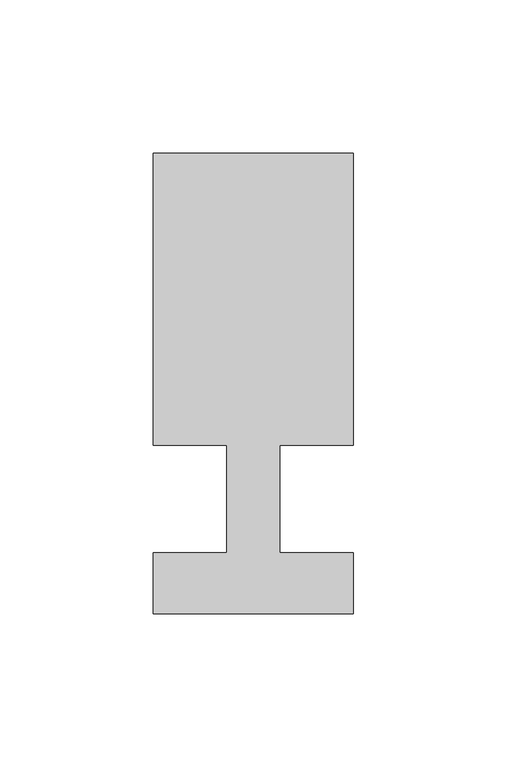
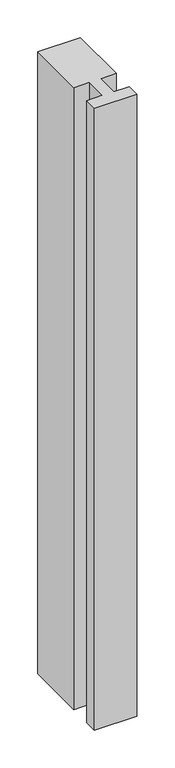
"""IFC4 building model written with IfcOpenShell, lengths in millimetres: member geometry."""

from ifc_helpers import new_model, si_unit, frame, origin, place, context, project, spatial, polyline, outline, extrude, source, transform, mapped, element, save


def member_f89e7d46(model_context):
    return source(origin(), model_context, "Body", "SweptSolid", [
        extrude(outline(polyline([(-65.0, -37.0), (-65.0, -17.0), (-41.1875, -17.0), (-41.1875, 18.0), (-65.0, 18.0), (-65.0, 113.0), (0.0, 113.0), (0.0, 18.0), (-23.8125, 18.0), (-23.8125, -17.0), (0.0, -17.0), (0.0, -37.0), (-65.0, -37.0)])), frame((0.0, 0.0, -1005.0), z_axis=(0.0, 0.0, 1.0), x_axis=(1.0, 0.0, 0.0)), (0.0, 0.0, 1.0), 1005.0),
    ])


if __name__ == "__main__":
    model = new_model("IFC4")
    model_context = context("Model", 3, world=origin())
    ifc_project = project(units=[si_unit("LENGTHUNIT", "METRE", prefix="MILLI")], contexts=[model_context])
    site = spatial("IfcSite", under=ifc_project)
    building = spatial("IfcBuilding", under=site)
    placement = place(None, origin())
    member_shape = member_f89e7d46(model_context)
    element("IfcMember", 1, at=placement, inside=building, context=model_context, shape_type="MappedRepresentation", body=[
        mapped(member_shape, transform((0.0, 0.0, 0.0), x_axis=(1.0, 0.0, 0.0), y_axis=(0.0, 1.0, 0.0), z_axis=(0.0, 0.0, 1.0))),
    ])
    save(model, "model.ifc")
